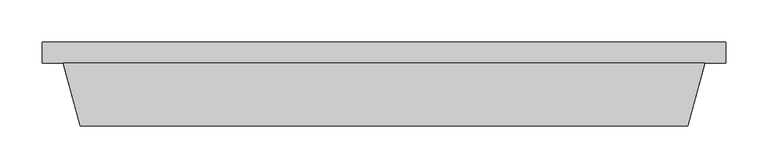
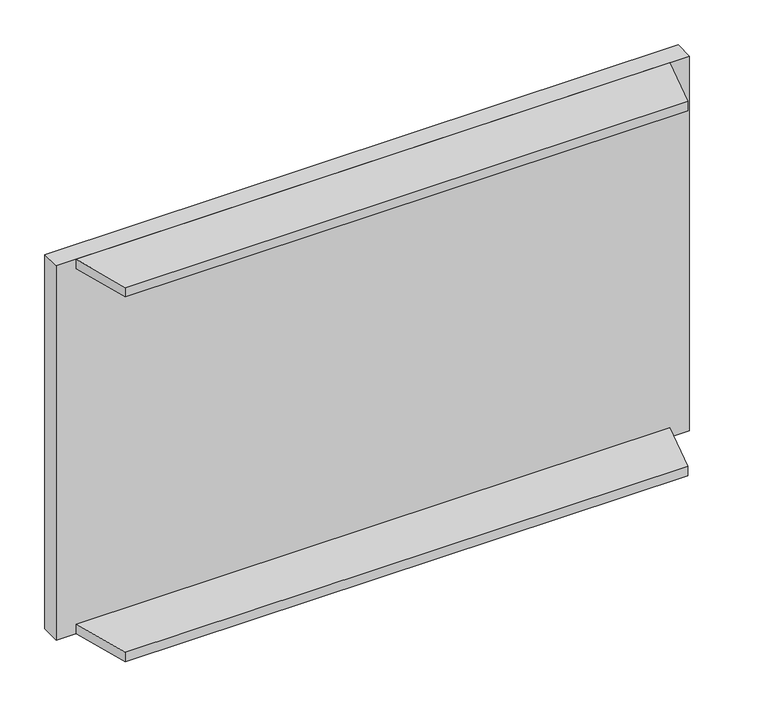
"""IFC4 building model written with IfcOpenShell, lengths in millimetres: proxy geometry."""

from ifc_helpers import new_model, si_unit, frame, origin, origin_with_axes, place, context, project, spatial, polyline, outline, extrude, source, transform, mapped, element, save


def specialty_equipment_8d2e6d10(model_context):
    return source(origin(), model_context, "Body", "SweptSolid", [
        extrude(outline(polyline([(25.4, 74.6), (787.4, 74.6), (767.4109902, 0.0), (45.3890098, 0.0), (25.4, 74.6)])), frame((0.0, 0.0, 495.3), z_axis=(0.0, 0.0, 1.0), x_axis=(1.0, 0.0, 0.0)), (0.0, 0.0, 1.0), 12.7),
        extrude(outline(polyline([(25.4, 74.6), (787.4, 74.6), (767.4109902, 0.0), (45.3890098, 0.0), (25.4, 74.6)])), origin_with_axes(), (0.0, 0.0, 1.0), 12.7),
        extrude(outline(polyline([(812.8, 100.0), (812.8, 74.6), (0.0, 74.6), (0.0, 100.0), (812.8, 100.0)])), origin_with_axes(), (0.0, 0.0, 1.0), 508.0),
    ])


if __name__ == "__main__":
    model = new_model("IFC4")
    model_context = context("Model", 3, world=origin())
    ifc_project = project(units=[si_unit("LENGTHUNIT", "METRE", prefix="MILLI")], contexts=[model_context])
    site = spatial("IfcSite", under=ifc_project)
    building = spatial("IfcBuilding", under=site)
    placement = place(None, origin())
    specialty_equipment_shape = specialty_equipment_8d2e6d10(model_context)
    element("IfcBuildingElementProxy", 1, Name="Specialty Equipment", at=placement, inside=building, context=model_context, shape_type="MappedRepresentation", body=[
        mapped(specialty_equipment_shape, transform((0.0, 0.0, 0.0), x_axis=(1.0, 0.0, 0.0), y_axis=(0.0, 1.0, 0.0), z_axis=(0.0, 0.0, 1.0))),
    ])
    save(model, "model.ifc")
